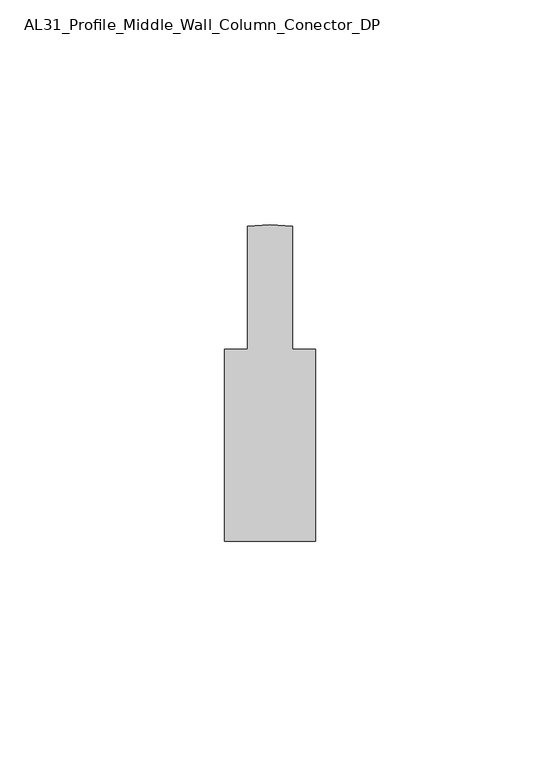
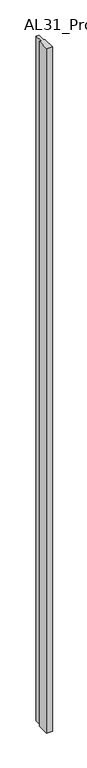
"""IFC4 building model written with IfcOpenShell, lengths in millimetres: member geometry, AL31_Profile_Middle_Wall_Column_Conector_DP."""

from ifc_helpers import new_model, si_unit, point, frame, frame_2d, origin, place, context, project, spatial, polyline, circle_curve, trimmed, segment, composite_curve, outline, extrude, source, transform, mapped, element, save


def al31_profile_middle_wall_column_conector_dp_cb39d23d(model_context):
    return source(origin(), model_context, "Body", "SweptSolid", [
        extrude(outline(composite_curve([segment(polyline([(-10.0998979, -35.1929937), (-10.0998979, 7.5070054), (-4.9998991, 7.5070054), (-4.9998991, 34.8750889)]), True, "CONTINUOUS"), segment(trimmed(circle_curve(frame_2d((0.0116092, -2.7929982)), 38.0), [point((-4.9998991, 34.8750889))], [point((5.0001009, 34.8781439))], False, "CARTESIAN"), True, "CONTINUOUS"), segment(polyline([(5.0001009, 34.8781439), (5.0001009, 7.5070054), (10.1001021, 7.5070054), (10.1001021, -35.1929937), (-10.0998979, -35.1929937)]), True, "CONTINUOUS")], self_intersect=False)), frame((0.0, 0.0, -2500.0), z_axis=(0.0, 0.0, 1.0), x_axis=(1.0, 0.0, 0.0)), (0.0, 0.0, 1.0), 2500.0),
    ])


if __name__ == "__main__":
    model = new_model("IFC4")
    model_context = context("Model", 3, world=origin())
    ifc_project = project(units=[si_unit("LENGTHUNIT", "METRE", prefix="MILLI")], contexts=[model_context])
    site = spatial("IfcSite", under=ifc_project)
    building = spatial("IfcBuilding", under=site)
    placement = place(None, origin())
    al31_profile_middle_wall_column_conector_dp_shape = al31_profile_middle_wall_column_conector_dp_cb39d23d(model_context)
    element("IfcMember", 1, ObjectType="AL31_Profile_Middle_Wall_Column_Conector_DP", at=placement, inside=building, context=model_context, shape_type="MappedRepresentation", body=[
        mapped(al31_profile_middle_wall_column_conector_dp_shape, transform((0.0, 0.0, 0.0), x_axis=(1.0, 0.0, 0.0), y_axis=(0.0, 1.0, 0.0), z_axis=(0.0, 0.0, 1.0))),
    ])
    save(model, "model.ifc")
